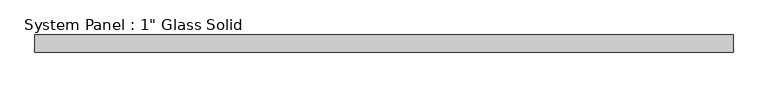
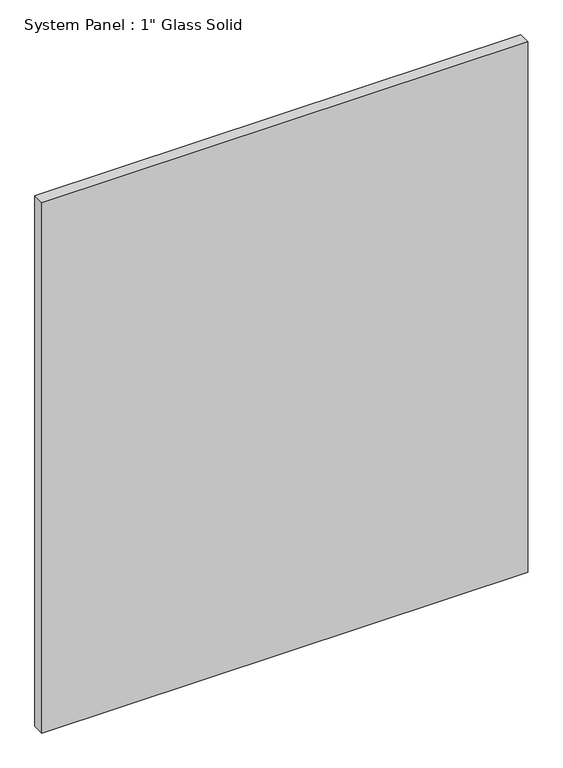
"""IFC4 building model written with IfcOpenShell, lengths in millimetres: plate geometry."""

from ifc_helpers import new_model, si_unit, origin, origin_with_axes, place, context, project, spatial, polyline, outline, extrude, source, transform, mapped, element, save


def plate_b2d40a17(model_context):
    return source(origin(), model_context, "Body", "SweptSolid", [
        extrude(outline(polyline([(504.825, -12.7), (-504.825, -12.7), (-504.825, 12.7), (504.825, 12.7), (504.825, -12.7)])), origin_with_axes(), (0.0, 0.0, 1.0), 1165.2267704),
    ])


if __name__ == "__main__":
    model = new_model("IFC4")
    model_context = context("Model", 3, world=origin())
    ifc_project = project(units=[si_unit("LENGTHUNIT", "METRE", prefix="MILLI")], contexts=[model_context])
    site = spatial("IfcSite", under=ifc_project)
    building = spatial("IfcBuilding", under=site)
    placement = place(None, origin())
    plate_shape = plate_b2d40a17(model_context)
    element("IfcPlate", 1, ObjectType="System Panel : 1\" Glass Solid", at=placement, inside=building, context=model_context, shape_type="MappedRepresentation", body=[
        mapped(plate_shape, transform((0.0, 0.0, 0.0), x_axis=(1.0, 0.0, 0.0), y_axis=(0.0, 1.0, 0.0), z_axis=(0.0, 0.0, 1.0))),
    ])
    save(model, "model.ifc")
